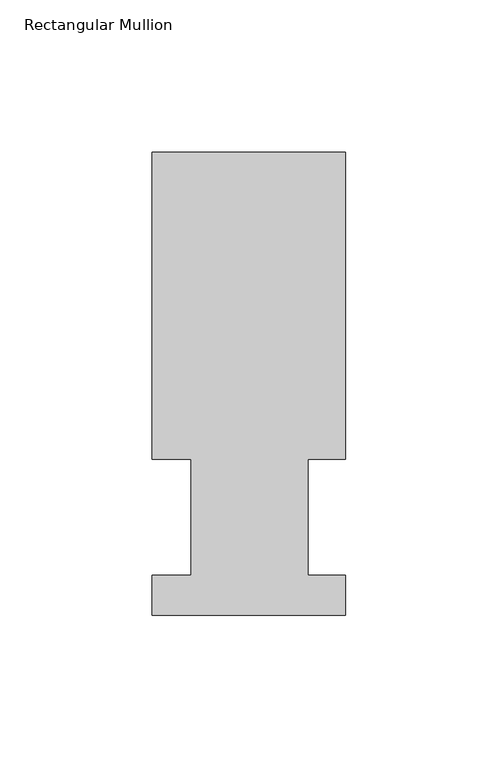
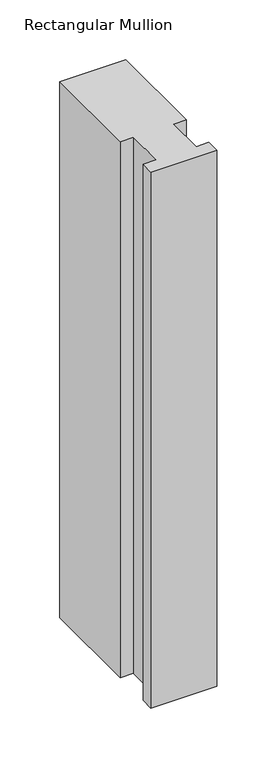
"""IFC4 building model written with IfcOpenShell, lengths in millimetres: member geometry, Rectangular Mullion."""

from ifc_helpers import new_model, si_unit, frame, origin, place, context, project, spatial, polyline, outline, extrude, source, transform, mapped, element, save


def rectangular_mullion_cc14a7e2(model_context):
    return source(origin(), model_context, "Body", "SweptSolid", [
        extrude(outline(polyline([(0.0, 151.9816937), (0.0, 51.2960938), (-12.3418395, 51.2960937), (-12.3418395, 13.1960937), (0.0, 13.1960937), (0.0, 0.0134937), (-63.5, 0.0134937), (-63.5, 13.1960937), (-50.8, 13.1960937), (-50.8, 51.2960938), (-63.5, 51.2960938), (-63.5, 151.9816937), (0.0, 151.9816937)])), frame((0.0, 0.0, -546.0999999), z_axis=(0.0, 0.0, 1.0), x_axis=(1.0, 0.0, 0.0)), (0.0, 0.0, 1.0), 546.0999999),
    ])


if __name__ == "__main__":
    model = new_model("IFC4")
    model_context = context("Model", 3, world=origin())
    ifc_project = project(units=[si_unit("LENGTHUNIT", "METRE", prefix="MILLI")], contexts=[model_context])
    site = spatial("IfcSite", under=ifc_project)
    building = spatial("IfcBuilding", under=site)
    placement = place(None, origin())
    rectangular_mullion_shape = rectangular_mullion_cc14a7e2(model_context)
    element("IfcMember", 1, ObjectType="Rectangular Mullion", at=placement, inside=building, context=model_context, shape_type="MappedRepresentation", body=[
        mapped(rectangular_mullion_shape, transform((0.0, 0.0, 0.0), x_axis=(1.0, 0.0, 0.0), y_axis=(0.0, 1.0, 0.0), z_axis=(0.0, 0.0, 1.0))),
    ])
    save(model, "model.ifc")
